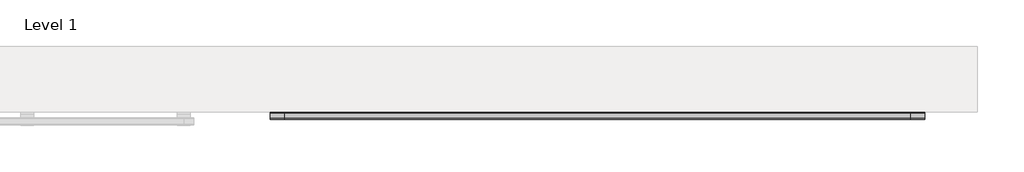
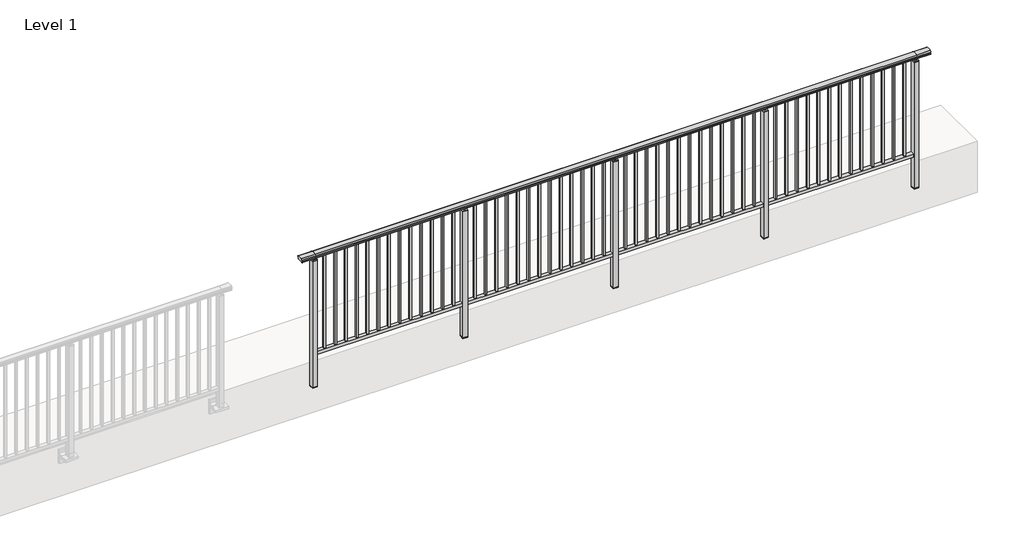
# One storey, part 23 of 64: 1 railing.
"""IFC4 building model written with IfcOpenShell, lengths in millimetres."""

from ifc_helpers import new_model, si_unit, frame, origin, place, context, project, spatial, polyline, circle_curve, outline, extrude, element, save
from ifc_brep_helpers import plane_surface, cylinder_surface, revolved_surface, advanced_brep

model = new_model("IFC4")

# Units and contexts
model_context = context("Model", 3, world=origin())
ifc_project = project(units=[si_unit("LENGTHUNIT", "METRE", prefix="MILLI")], contexts=[model_context])

# Site, building, storey
site = spatial("IfcSite", under=ifc_project)
building = spatial("IfcBuilding", under=site)
storey = spatial("IfcBuildingStorey", under=building, Name="Level 1", Elevation=0.0)

# Railing
placement = place(None, origin())
element("IfcRailing", 1, at=placement, inside=storey, context=model_context, shape_type="SolidModel", body=[
    advanced_brep(
    [(19372.5, 14892.8633756, 1095.6691182), (19372.5, 14897.6846828, 1081.1334092), (19372.5, 14896.7413744, 1069.2539035), (19372.5, 14898.6364177, 1061.4863007), (19372.5, 14896.9894799, 1060.384124), (19372.5, 14896.9894799, 1062.0), (19372.5, 14838.3798858, 1062.0), (19372.5, 14838.3798858, 1060.384124), (19372.5, 14836.732948, 1061.4863007), (19372.5, 14838.6279912, 1069.2539035), (19372.5, 14837.6846828, 1081.1334092), (19372.5, 14842.50599, 1095.6691182), (25227.5, 14892.8633756, 1095.6691182), (25227.5, 14842.50599, 1095.6691182), (25227.5, 14837.6846828, 1081.1334092), (25227.5, 14838.6279912, 1069.2539035), (25227.5, 14836.732948, 1061.4863007), (25227.5, 14838.3798858, 1060.384124), (25227.5, 14838.3798858, 1062.0), (25227.5, 14896.9894799, 1062.0), (25227.5, 14896.9894799, 1060.384124), (25227.5, 14898.6364177, 1061.4863007), (25227.5, 14896.7413744, 1069.2539035), (25227.5, 14897.6846828, 1081.1334092), (19500.0, 14892.8633756, 1095.6691182), (19500.0, 14897.6846828, 1081.1334092), (19500.0, 14896.7413744, 1069.2539035), (19500.0, 14898.6364177, 1061.4863007), (19500.0, 14896.9894799, 1060.384124), (19500.0, 14896.9894799, 1062.0), (19500.0, 14838.3798858, 1062.0), (19500.0, 14838.3798858, 1060.384124), (19500.0, 14836.732948, 1061.4863007), (19500.0, 14838.6279912, 1069.2539035), (19500.0, 14837.6846828, 1081.1334092), (19500.0, 14842.50599, 1095.6691182), (25100.0, 14892.8633756, 1095.6691182), (25100.0, 14897.6846828, 1081.1334092), (25100.0, 14896.7413744, 1069.2539035), (25100.0, 14898.6364177, 1061.4863007), (25100.0, 14896.9894799, 1060.384124), (25100.0, 14896.9894799, 1062.0), (25100.0, 14838.3798858, 1062.0), (25100.0, 14838.3798858, 1060.384124), (25100.0, 14836.732948, 1061.4863007), (25100.0, 14838.6279912, 1069.2539035), (25100.0, 14837.6846828, 1081.1334092), (25100.0, 14842.50599, 1095.6691182)],
    [
        (0, 1, circle_curve(frame((19372.5, 14889.6223845, 1086.526686), z_axis=(-1.0, 0.0, 0.0), x_axis=(0.0, -1.0, 0.0)), 9.6999015)),
        (1, 2, circle_curve(frame((19372.5, 14915.2252545, 1073.7633709), z_axis=(1.0, 0.0, 0.0), x_axis=(0.0, -1.0, 0.0)), 19.0260117)),
        (2, 3),
        (3, 4, circle_curve(frame((19372.5, 14897.7772073, 1060.9886194), z_axis=(-1.0, 0.0, 0.0), x_axis=(0.0, -1.0, 0.0)), 0.9929396)),
        (4, 5),
        (5, 6),
        (6, 7),
        (7, 8, circle_curve(frame((19372.5, 14837.5921584, 1060.9886194), z_axis=(-1.0, 0.0, 0.0), x_axis=(0.0, 1.0, 0.0)), 0.9929396)),
        (8, 9),
        (9, 10, circle_curve(frame((19372.5, 14820.1441111, 1073.7633709), z_axis=(1.0, 0.0, 0.0), x_axis=(0.0, 1.0, 0.0)), 19.0260117)),
        (10, 11, circle_curve(frame((19372.5, 14845.7469812, 1086.526686), z_axis=(-1.0, 0.0, 0.0), x_axis=(0.0, 1.0, 0.0)), 9.6999015)),
        (11, 0, circle_curve(frame((19372.5, 14867.6846828, 1024.6431628), z_axis=(-1.0, 0.0, 0.0), x_axis=(0.0, 1.0, 0.0)), 75.3568372)),
        (12, 13, circle_curve(frame((25227.5, 14867.6846828, 1024.6431628), z_axis=(1.0, 0.0, 0.0), x_axis=(0.0, 1.0, 0.0)), 75.3568372)),
        (13, 14, circle_curve(frame((25227.5, 14845.7469812, 1086.526686), z_axis=(1.0, 0.0, 0.0), x_axis=(0.0, 1.0, 0.0)), 9.6999015)),
        (14, 15, circle_curve(frame((25227.5, 14820.1441111, 1073.7633709), z_axis=(-1.0, 0.0, 0.0), x_axis=(0.0, 1.0, 0.0)), 19.0260117)),
        (15, 16),
        (16, 17, circle_curve(frame((25227.5, 14837.5921584, 1060.9886194), z_axis=(1.0, 0.0, 0.0), x_axis=(0.0, 1.0, 0.0)), 0.9929396)),
        (17, 18),
        (18, 19),
        (19, 20),
        (20, 21, circle_curve(frame((25227.5, 14897.7772073, 1060.9886194), z_axis=(1.0, 0.0, 0.0), x_axis=(0.0, -1.0, 0.0)), 0.9929396)),
        (21, 22),
        (22, 23, circle_curve(frame((25227.5, 14915.2252545, 1073.7633709), z_axis=(-1.0, 0.0, 0.0), x_axis=(0.0, -1.0, 0.0)), 19.0260117)),
        (23, 12, circle_curve(frame((25227.5, 14889.6223845, 1086.526686), z_axis=(1.0, 0.0, 0.0), x_axis=(0.0, -1.0, 0.0)), 9.6999015)),
        (0, 24),
        (24, 25, circle_curve(frame((19500.0, 14889.6223845, 1086.526686), z_axis=(-1.0, 0.0, 0.0), x_axis=(0.0, -1.0, 0.0)), 9.6999015)),
        (25, 1),
        (25, 26, circle_curve(frame((19500.0, 14915.2252545, 1073.7633709), z_axis=(1.0, 0.0, 0.0), x_axis=(0.0, -1.0, 0.0)), 19.0260117)),
        (26, 2),
        (26, 27),
        (27, 3),
        (27, 28, circle_curve(frame((19500.0, 14897.7772073, 1060.9886194), z_axis=(-1.0, 0.0, 0.0), x_axis=(0.0, -1.0, 0.0)), 0.9929396)),
        (28, 4),
        (28, 29),
        (29, 5),
        (29, 30),
        (30, 6),
        (30, 31),
        (31, 7),
        (31, 32, circle_curve(frame((19500.0, 14837.5921584, 1060.9886194), z_axis=(-1.0, 0.0, 0.0), x_axis=(0.0, 1.0, 0.0)), 0.9929396)),
        (32, 8),
        (32, 33),
        (33, 9),
        (33, 34, circle_curve(frame((19500.0, 14820.1441111, 1073.7633709), z_axis=(1.0, 0.0, 0.0), x_axis=(0.0, 1.0, 0.0)), 19.0260117)),
        (34, 10),
        (34, 35, circle_curve(frame((19500.0, 14845.7469812, 1086.526686), z_axis=(-1.0, 0.0, 0.0), x_axis=(0.0, 1.0, 0.0)), 9.6999015)),
        (35, 11),
        (35, 24, circle_curve(frame((19500.0, 14867.6846828, 1024.6431628), z_axis=(-1.0, 0.0, 0.0), x_axis=(0.0, 1.0, 0.0)), 75.3568372)),
        (24, 36),
        (36, 37, circle_curve(frame((25100.0, 14889.6223845, 1086.526686), z_axis=(-1.0, 0.0, 0.0), x_axis=(0.0, -1.0, 0.0)), 9.6999015)),
        (37, 25),
        (37, 38, circle_curve(frame((25100.0, 14915.2252545, 1073.7633709), z_axis=(1.0, 0.0, 0.0), x_axis=(0.0, -1.0, 0.0)), 19.0260117)),
        (38, 26),
        (38, 39),
        (39, 27),
        (39, 40, circle_curve(frame((25100.0, 14897.7772073, 1060.9886194), z_axis=(-1.0, 0.0, 0.0), x_axis=(0.0, -1.0, 0.0)), 0.9929396)),
        (40, 28),
        (40, 41),
        (41, 29),
        (41, 42),
        (42, 30),
        (42, 43),
        (43, 31),
        (43, 44, circle_curve(frame((25100.0, 14837.5921584, 1060.9886194), z_axis=(-1.0, 0.0, 0.0), x_axis=(0.0, 1.0, 0.0)), 0.9929396)),
        (44, 32),
        (44, 45),
        (45, 33),
        (45, 46, circle_curve(frame((25100.0, 14820.1441111, 1073.7633709), z_axis=(1.0, 0.0, 0.0), x_axis=(0.0, 1.0, 0.0)), 19.0260117)),
        (46, 34),
        (46, 47, circle_curve(frame((25100.0, 14845.7469812, 1086.526686), z_axis=(-1.0, 0.0, 0.0), x_axis=(0.0, 1.0, 0.0)), 9.6999015)),
        (47, 35),
        (47, 36, circle_curve(frame((25100.0, 14867.6846828, 1024.6431628), z_axis=(-1.0, 0.0, 0.0), x_axis=(0.0, 1.0, 0.0)), 75.3568372)),
        (36, 12),
        (23, 37),
        (22, 38),
        (21, 39),
        (20, 40),
        (19, 41),
        (18, 42),
        (17, 43),
        (16, 44),
        (15, 45),
        (14, 46),
        (13, 47),
    ],
    [
        plane_surface(frame((19372.5, 14867.6846828, 1100.0), z_axis=(-1.0, 0.0, 0.0), x_axis=(0.0, 1.0, 0.0))),
        plane_surface(frame((25227.5, 14867.6846828, 1100.0), z_axis=(1.0, 0.0, 0.0), x_axis=(0.0, 1.0, 0.0))),
        cylinder_surface(frame((19372.5, 14889.6223845, 1086.526686), z_axis=(-1.0, 0.0, 0.0), x_axis=(0.0, -1.0, 0.0)), 9.6999015),
        revolved_surface(polyline([(19500.0, 14896.1992428, 1073.7633709), (19372.5, 14896.1992428, 1073.7633709)]), (19372.5, 14915.2252545, 1073.7633709), (1.0, 0.0, 0.0)),
        plane_surface(frame((19372.5, 14896.7413744, 1069.2539035), z_axis=(0.0, 0.9715057689301543, 0.2370159086125439), x_axis=(1.0, 0.0, 0.0))),
        cylinder_surface(frame((19372.5, 14897.7772073, 1060.9886194), z_axis=(-1.0, 0.0, 0.0), x_axis=(0.0, -1.0, 0.0)), 0.9929396),
        plane_surface(frame((19372.5, 14896.9894799, 1060.384124), z_axis=(0.0, -1.0, 0.0), x_axis=(1.0, 0.0, 0.0))),
        plane_surface(frame((19372.5, 14896.9894799, 1062.0), z_axis=(0.0, 0.0, -1.0), x_axis=(1.0, 0.0, 0.0))),
        plane_surface(frame((19372.5, 14838.3798858, 1062.0), z_axis=(0.0, 1.0, 0.0), x_axis=(1.0, 0.0, 0.0))),
        cylinder_surface(frame((19372.5, 14837.5921584, 1060.9886194), z_axis=(-1.0, 0.0, 0.0), x_axis=(0.0, 1.0, 0.0)), 0.9929396),
        plane_surface(frame((19372.5, 14836.732948, 1061.4863007), z_axis=(0.0, -0.9715057689301543, 0.2370159086125439), x_axis=(1.0, 0.0, 0.0))),
        revolved_surface(polyline([(19500.0, 14839.1701228, 1073.7633709), (19372.5, 14839.1701228, 1073.7633709)]), (19372.5, 14820.1441111, 1073.7633709), (1.0, 0.0, 0.0)),
        cylinder_surface(frame((19372.5, 14845.7469812, 1086.526686), z_axis=(-1.0, 0.0, 0.0), x_axis=(0.0, 1.0, 0.0)), 9.6999015),
        cylinder_surface(frame((19372.5, 14867.6846828, 1024.6431628), z_axis=(-1.0, 0.0, 0.0), x_axis=(0.0, 1.0, 0.0)), 75.3568372),
        cylinder_surface(frame((19500.0, 14889.6223845, 1086.526686), z_axis=(-1.0, 0.0, 0.0), x_axis=(0.0, -1.0, 0.0)), 9.6999015),
        revolved_surface(polyline([(25100.0, 14896.1992428, 1073.7633709), (19500.0, 14896.1992428, 1073.7633709)]), (19500.0, 14915.2252545, 1073.7633709), (1.0, 0.0, 0.0)),
        plane_surface(frame((19500.0, 14896.7413744, 1069.2539035), z_axis=(0.0, 0.9715057689301543, 0.2370159086125439), x_axis=(1.0, 0.0, 0.0))),
        cylinder_surface(frame((19500.0, 14897.7772073, 1060.9886194), z_axis=(-1.0, 0.0, 0.0), x_axis=(0.0, -1.0, 0.0)), 0.9929396),
        plane_surface(frame((19500.0, 14896.9894799, 1060.384124), z_axis=(0.0, -1.0, 0.0), x_axis=(1.0, 0.0, 0.0))),
        plane_surface(frame((19500.0, 14896.9894799, 1062.0), z_axis=(0.0, 0.0, -1.0), x_axis=(1.0, 0.0, 0.0))),
        plane_surface(frame((19500.0, 14838.3798858, 1062.0), z_axis=(0.0, 1.0, 0.0), x_axis=(1.0, 0.0, 0.0))),
        cylinder_surface(frame((19500.0, 14837.5921584, 1060.9886194), z_axis=(-1.0, 0.0, 0.0), x_axis=(0.0, 1.0, 0.0)), 0.9929396),
        plane_surface(frame((19500.0, 14836.732948, 1061.4863007), z_axis=(0.0, -0.9715057689301543, 0.2370159086125439), x_axis=(1.0, 0.0, 0.0))),
        revolved_surface(polyline([(25100.0, 14839.1701228, 1073.7633709), (19500.0, 14839.1701228, 1073.7633709)]), (19500.0, 14820.1441111, 1073.7633709), (1.0, 0.0, 0.0)),
        cylinder_surface(frame((19500.0, 14845.7469812, 1086.526686), z_axis=(-1.0, 0.0, 0.0), x_axis=(0.0, 1.0, 0.0)), 9.6999015),
        cylinder_surface(frame((19500.0, 14867.6846828, 1024.6431628), z_axis=(-1.0, 0.0, 0.0), x_axis=(0.0, 1.0, 0.0)), 75.3568372),
        cylinder_surface(frame((25100.0, 14889.6223845, 1086.526686), z_axis=(-1.0, 0.0, 0.0), x_axis=(0.0, -1.0, 0.0)), 9.6999015),
        revolved_surface(polyline([(25227.5, 14896.1992428, 1073.7633709), (25100.0, 14896.1992428, 1073.7633709)]), (25100.0, 14915.2252545, 1073.7633709), (1.0, 0.0, 0.0)),
        plane_surface(frame((25100.0, 14896.7413744, 1069.2539035), z_axis=(0.0, 0.9715057689301543, 0.2370159086125439), x_axis=(1.0, 0.0, 0.0))),
        cylinder_surface(frame((25100.0, 14897.7772073, 1060.9886194), z_axis=(-1.0, 0.0, 0.0), x_axis=(0.0, -1.0, 0.0)), 0.9929396),
        plane_surface(frame((25100.0, 14896.9894799, 1060.384124), z_axis=(0.0, -1.0, 0.0), x_axis=(1.0, 0.0, 0.0))),
        plane_surface(frame((25100.0, 14896.9894799, 1062.0), z_axis=(0.0, 0.0, -1.0), x_axis=(1.0, 0.0, 0.0))),
        plane_surface(frame((25100.0, 14838.3798858, 1062.0), z_axis=(0.0, 1.0, 0.0), x_axis=(1.0, 0.0, 0.0))),
        cylinder_surface(frame((25100.0, 14837.5921584, 1060.9886194), z_axis=(-1.0, 0.0, 0.0), x_axis=(0.0, 1.0, 0.0)), 0.9929396),
        plane_surface(frame((25100.0, 14836.732948, 1061.4863007), z_axis=(0.0, -0.9715057689301543, 0.2370159086125439), x_axis=(1.0, 0.0, 0.0))),
        revolved_surface(polyline([(25227.5, 14839.1701228, 1073.7633709), (25100.0, 14839.1701228, 1073.7633709)]), (25100.0, 14820.1441111, 1073.7633709), (1.0, 0.0, 0.0)),
        cylinder_surface(frame((25100.0, 14845.7469812, 1086.526686), z_axis=(-1.0, 0.0, 0.0), x_axis=(0.0, 1.0, 0.0)), 9.6999015),
        cylinder_surface(frame((25100.0, 14867.6846828, 1024.6431628), z_axis=(-1.0, 0.0, 0.0), x_axis=(0.0, 1.0, 0.0)), 75.3568372),
    ],
    [
        (0, [[1, 2, 3, 4, 5, 6, 7, 8, 9, 10, 11, 12]]),
        (1, [[13, 14, 15, 16, 17, 18, 19, 20, 21, 22, 23, 24]]),
        (2, [[-1, 25, 26, 27]]),
        (3, [[-2, -27, 28, 29]]),
        (4, [[-3, -29, 30, 31]]),
        (5, [[-4, -31, 32, 33]]),
        (6, [[-5, -33, 34, 35]]),
        (7, [[-6, -35, 36, 37]]),
        (8, [[-7, -37, 38, 39]]),
        (9, [[-8, -39, 40, 41]]),
        (10, [[-9, -41, 42, 43]]),
        (11, [[-10, -43, 44, 45]]),
        (12, [[-11, -45, 46, 47]]),
        (13, [[-12, -47, 48, -25]]),
        (14, [[-26, 49, 50, 51]]),
        (15, [[-28, -51, 52, 53]]),
        (16, [[-30, -53, 54, 55]]),
        (17, [[-32, -55, 56, 57]]),
        (18, [[-34, -57, 58, 59]]),
        (19, [[-36, -59, 60, 61]]),
        (20, [[-38, -61, 62, 63]]),
        (21, [[-40, -63, 64, 65]]),
        (22, [[-42, -65, 66, 67]]),
        (23, [[-44, -67, 68, 69]]),
        (24, [[-46, -69, 70, 71]]),
        (25, [[-48, -71, 72, -49]]),
        (26, [[-50, 73, -24, 74]]),
        (27, [[-52, -74, -23, 75]]),
        (28, [[-54, -75, -22, 76]]),
        (29, [[-56, -76, -21, 77]]),
        (30, [[-58, -77, -20, 78]]),
        (31, [[-60, -78, -19, 79]]),
        (32, [[-62, -79, -18, 80]]),
        (33, [[-64, -80, -17, 81]]),
        (34, [[-66, -81, -16, 82]]),
        (35, [[-68, -82, -15, 83]]),
        (36, [[-70, -83, -14, 84]]),
        (37, [[-72, -84, -13, -73]]),
    ],
),
    extrude(outline(polyline([(19500.0, 14850.1846828), (19500.0, 14885.1846828), (25100.0, 14885.1846828), (25100.0, 14850.1846828), (19500.0, 14850.1846828)])), frame((0.0, 0.0, 95.0), z_axis=(0.0, 0.0, 1.0), x_axis=(1.0, 0.0, 0.0)), (0.0, 0.0, 1.0), 30.0),
    extrude(outline(polyline([(25008.5, 14859.1846828), (24991.5, 14859.1846828), (24991.5, 14876.1846828), (25008.5, 14876.1846828), (25008.5, 14859.1846828)])), frame((0.0, 0.0, 125.0), z_axis=(0.0, 0.0, 1.0), x_axis=(1.0, 0.0, 0.0)), (0.0, 0.0, 1.0), 930.0),
    extrude(outline(polyline([(24908.5, 14859.1846828), (24891.5, 14859.1846828), (24891.5, 14876.1846828), (24908.5, 14876.1846828), (24908.5, 14859.1846828)])), frame((0.0, 0.0, 125.0), z_axis=(0.0, 0.0, 1.0), x_axis=(1.0, 0.0, 0.0)), (0.0, 0.0, 1.0), 930.0),
    extrude(outline(polyline([(24808.5, 14859.1846828), (24791.5, 14859.1846828), (24791.5, 14876.1846828), (24808.5, 14876.1846828), (24808.5, 14859.1846828)])), frame((0.0, 0.0, 125.0), z_axis=(0.0, 0.0, 1.0), x_axis=(1.0, 0.0, 0.0)), (0.0, 0.0, 1.0), 930.0),
    extrude(outline(polyline([(24708.5, 14859.1846828), (24691.5, 14859.1846828), (24691.5, 14876.1846828), (24708.5, 14876.1846828), (24708.5, 14859.1846828)])), frame((0.0, 0.0, 125.0), z_axis=(0.0, 0.0, 1.0), x_axis=(1.0, 0.0, 0.0)), (0.0, 0.0, 1.0), 930.0),
    extrude(outline(polyline([(24608.5, 14859.1846828), (24591.5, 14859.1846828), (24591.5, 14876.1846828), (24608.5, 14876.1846828), (24608.5, 14859.1846828)])), frame((0.0, 0.0, 125.0), z_axis=(0.0, 0.0, 1.0), x_axis=(1.0, 0.0, 0.0)), (0.0, 0.0, 1.0), 930.0),
    extrude(outline(polyline([(24508.5, 14859.1846828), (24491.5, 14859.1846828), (24491.5, 14876.1846828), (24508.5, 14876.1846828), (24508.5, 14859.1846828)])), frame((0.0, 0.0, 125.0), z_axis=(0.0, 0.0, 1.0), x_axis=(1.0, 0.0, 0.0)), (0.0, 0.0, 1.0), 930.0),
    extrude(outline(polyline([(24408.5, 14859.1846828), (24391.5, 14859.1846828), (24391.5, 14876.1846828), (24408.5, 14876.1846828), (24408.5, 14859.1846828)])), frame((0.0, 0.0, 125.0), z_axis=(0.0, 0.0, 1.0), x_axis=(1.0, 0.0, 0.0)), (0.0, 0.0, 1.0), 930.0),
    extrude(outline(polyline([(24308.5, 14859.1846828), (24291.5, 14859.1846828), (24291.5, 14876.1846828), (24308.5, 14876.1846828), (24308.5, 14859.1846828)])), frame((0.0, 0.0, 125.0), z_axis=(0.0, 0.0, 1.0), x_axis=(1.0, 0.0, 0.0)), (0.0, 0.0, 1.0), 930.0),
    extrude(outline(polyline([(24208.5, 14859.1846828), (24191.5, 14859.1846828), (24191.5, 14876.1846828), (24208.5, 14876.1846828), (24208.5, 14859.1846828)])), frame((0.0, 0.0, 125.0), z_axis=(0.0, 0.0, 1.0), x_axis=(1.0, 0.0, 0.0)), (0.0, 0.0, 1.0), 930.0),
    extrude(outline(polyline([(24108.5, 14859.1846828), (24091.5, 14859.1846828), (24091.5, 14876.1846828), (24108.5, 14876.1846828), (24108.5, 14859.1846828)])), frame((0.0, 0.0, 125.0), z_axis=(0.0, 0.0, 1.0), x_axis=(1.0, 0.0, 0.0)), (0.0, 0.0, 1.0), 930.0),
    extrude(outline(polyline([(24008.5, 14859.1846828), (23991.5, 14859.1846828), (23991.5, 14876.1846828), (24008.5, 14876.1846828), (24008.5, 14859.1846828)])), frame((0.0, 0.0, 125.0), z_axis=(0.0, 0.0, 1.0), x_axis=(1.0, 0.0, 0.0)), (0.0, 0.0, 1.0), 930.0),
    extrude(outline(polyline([(23908.5, 14859.1846828), (23891.5, 14859.1846828), (23891.5, 14876.1846828), (23908.5, 14876.1846828), (23908.5, 14859.1846828)])), frame((0.0, 0.0, 125.0), z_axis=(0.0, 0.0, 1.0), x_axis=(1.0, 0.0, 0.0)), (0.0, 0.0, 1.0), 930.0),
    extrude(outline(polyline([(23808.5, 14859.1846828), (23791.5, 14859.1846828), (23791.5, 14876.1846828), (23808.5, 14876.1846828), (23808.5, 14859.1846828)])), frame((0.0, 0.0, 125.0), z_axis=(0.0, 0.0, 1.0), x_axis=(1.0, 0.0, 0.0)), (0.0, 0.0, 1.0), 930.0),
    extrude(outline(polyline([(23722.5, 14890.1846828), (23722.5, 14845.1846828), (23677.5, 14845.1846828), (23677.5, 14890.1846828), (23722.5, 14890.1846828)])), frame((0.0, 0.0, 1027.0), z_axis=(0.0, 0.0, 1.0), x_axis=(1.0, 0.0, 0.0)), (0.0, 0.0, 1.0), 8.0),
    extrude(outline(polyline([(23722.5, 14890.1846828), (23722.5, 14845.1846828), (23677.5, 14845.1846828), (23677.5, 14890.1846828), (23722.5, 14890.1846828)])), frame((0.0, 0.0, -212.0), z_axis=(0.0, 0.0, 1.0), x_axis=(1.0, 0.0, 0.0)), (0.0, 0.0, 1.0), 1239.0),
    extrude(outline(polyline([(23710.0, 14877.6846828), (23710.0, 14857.6846828), (23690.0, 14857.6846828), (23690.0, 14877.6846828), (23710.0, 14877.6846828)])), frame((0.0, 0.0, 1035.0), z_axis=(0.0, 0.0, 1.0), x_axis=(1.0, 0.0, 0.0)), (0.0, 0.0, 1.0), 20.0),
    extrude(outline(polyline([(23722.5, 14890.1846828), (23722.5, 14845.1846828), (23677.5, 14845.1846828), (23677.5, 14890.1846828), (23722.5, 14890.1846828)])), frame((0.0, 0.0, -220.0), z_axis=(0.0, 0.0, 1.0), x_axis=(1.0, 0.0, 0.0)), (0.0, 0.0, 1.0), 8.0),
    extrude(outline(polyline([(23608.5, 14859.1846828), (23591.5, 14859.1846828), (23591.5, 14876.1846828), (23608.5, 14876.1846828), (23608.5, 14859.1846828)])), frame((0.0, 0.0, 125.0), z_axis=(0.0, 0.0, 1.0), x_axis=(1.0, 0.0, 0.0)), (0.0, 0.0, 1.0), 930.0),
    extrude(outline(polyline([(23508.5, 14859.1846828), (23491.5, 14859.1846828), (23491.5, 14876.1846828), (23508.5, 14876.1846828), (23508.5, 14859.1846828)])), frame((0.0, 0.0, 125.0), z_axis=(0.0, 0.0, 1.0), x_axis=(1.0, 0.0, 0.0)), (0.0, 0.0, 1.0), 930.0),
    extrude(outline(polyline([(23408.5, 14859.1846828), (23391.5, 14859.1846828), (23391.5, 14876.1846828), (23408.5, 14876.1846828), (23408.5, 14859.1846828)])), frame((0.0, 0.0, 125.0), z_axis=(0.0, 0.0, 1.0), x_axis=(1.0, 0.0, 0.0)), (0.0, 0.0, 1.0), 930.0),
    extrude(outline(polyline([(23308.5, 14859.1846828), (23291.5, 14859.1846828), (23291.5, 14876.1846828), (23308.5, 14876.1846828), (23308.5, 14859.1846828)])), frame((0.0, 0.0, 125.0), z_axis=(0.0, 0.0, 1.0), x_axis=(1.0, 0.0, 0.0)), (0.0, 0.0, 1.0), 930.0),
    extrude(outline(polyline([(23208.5, 14859.1846828), (23191.5, 14859.1846828), (23191.5, 14876.1846828), (23208.5, 14876.1846828), (23208.5, 14859.1846828)])), frame((0.0, 0.0, 125.0), z_axis=(0.0, 0.0, 1.0), x_axis=(1.0, 0.0, 0.0)), (0.0, 0.0, 1.0), 930.0),
    extrude(outline(polyline([(23108.5, 14859.1846828), (23091.5, 14859.1846828), (23091.5, 14876.1846828), (23108.5, 14876.1846828), (23108.5, 14859.1846828)])), frame((0.0, 0.0, 125.0), z_axis=(0.0, 0.0, 1.0), x_axis=(1.0, 0.0, 0.0)), (0.0, 0.0, 1.0), 930.0),
    extrude(outline(polyline([(23008.5, 14859.1846828), (22991.5, 14859.1846828), (22991.5, 14876.1846828), (23008.5, 14876.1846828), (23008.5, 14859.1846828)])), frame((0.0, 0.0, 125.0), z_axis=(0.0, 0.0, 1.0), x_axis=(1.0, 0.0, 0.0)), (0.0, 0.0, 1.0), 930.0),
    extrude(outline(polyline([(22908.5, 14859.1846828), (22891.5, 14859.1846828), (22891.5, 14876.1846828), (22908.5, 14876.1846828), (22908.5, 14859.1846828)])), frame((0.0, 0.0, 125.0), z_axis=(0.0, 0.0, 1.0), x_axis=(1.0, 0.0, 0.0)), (0.0, 0.0, 1.0), 930.0),
    extrude(outline(polyline([(22808.5, 14859.1846828), (22791.5, 14859.1846828), (22791.5, 14876.1846828), (22808.5, 14876.1846828), (22808.5, 14859.1846828)])), frame((0.0, 0.0, 125.0), z_axis=(0.0, 0.0, 1.0), x_axis=(1.0, 0.0, 0.0)), (0.0, 0.0, 1.0), 930.0),
    extrude(outline(polyline([(22708.5, 14859.1846828), (22691.5, 14859.1846828), (22691.5, 14876.1846828), (22708.5, 14876.1846828), (22708.5, 14859.1846828)])), frame((0.0, 0.0, 125.0), z_axis=(0.0, 0.0, 1.0), x_axis=(1.0, 0.0, 0.0)), (0.0, 0.0, 1.0), 930.0),
    extrude(outline(polyline([(22608.5, 14859.1846828), (22591.5, 14859.1846828), (22591.5, 14876.1846828), (22608.5, 14876.1846828), (22608.5, 14859.1846828)])), frame((0.0, 0.0, 125.0), z_axis=(0.0, 0.0, 1.0), x_axis=(1.0, 0.0, 0.0)), (0.0, 0.0, 1.0), 930.0),
    extrude(outline(polyline([(22508.5, 14859.1846828), (22491.5, 14859.1846828), (22491.5, 14876.1846828), (22508.5, 14876.1846828), (22508.5, 14859.1846828)])), frame((0.0, 0.0, 125.0), z_axis=(0.0, 0.0, 1.0), x_axis=(1.0, 0.0, 0.0)), (0.0, 0.0, 1.0), 930.0),
    extrude(outline(polyline([(22408.5, 14859.1846828), (22391.5, 14859.1846828), (22391.5, 14876.1846828), (22408.5, 14876.1846828), (22408.5, 14859.1846828)])), frame((0.0, 0.0, 125.0), z_axis=(0.0, 0.0, 1.0), x_axis=(1.0, 0.0, 0.0)), (0.0, 0.0, 1.0), 930.0),
    extrude(outline(polyline([(22322.5, 14890.1846828), (22322.5, 14845.1846828), (22277.5, 14845.1846828), (22277.5, 14890.1846828), (22322.5, 14890.1846828)])), frame((0.0, 0.0, 1027.0), z_axis=(0.0, 0.0, 1.0), x_axis=(1.0, 0.0, 0.0)), (0.0, 0.0, 1.0), 8.0),
    extrude(outline(polyline([(22322.5, 14890.1846828), (22322.5, 14845.1846828), (22277.5, 14845.1846828), (22277.5, 14890.1846828), (22322.5, 14890.1846828)])), frame((0.0, 0.0, -212.0), z_axis=(0.0, 0.0, 1.0), x_axis=(1.0, 0.0, 0.0)), (0.0, 0.0, 1.0), 1239.0),
    extrude(outline(polyline([(22310.0, 14877.6846828), (22310.0, 14857.6846828), (22290.0, 14857.6846828), (22290.0, 14877.6846828), (22310.0, 14877.6846828)])), frame((0.0, 0.0, 1035.0), z_axis=(0.0, 0.0, 1.0), x_axis=(1.0, 0.0, 0.0)), (0.0, 0.0, 1.0), 20.0),
    extrude(outline(polyline([(22322.5, 14890.1846828), (22322.5, 14845.1846828), (22277.5, 14845.1846828), (22277.5, 14890.1846828), (22322.5, 14890.1846828)])), frame((0.0, 0.0, -220.0), z_axis=(0.0, 0.0, 1.0), x_axis=(1.0, 0.0, 0.0)), (0.0, 0.0, 1.0), 8.0),
    extrude(outline(polyline([(22208.5, 14859.1846828), (22191.5, 14859.1846828), (22191.5, 14876.1846828), (22208.5, 14876.1846828), (22208.5, 14859.1846828)])), frame((0.0, 0.0, 125.0), z_axis=(0.0, 0.0, 1.0), x_axis=(1.0, 0.0, 0.0)), (0.0, 0.0, 1.0), 930.0),
    extrude(outline(polyline([(22108.5, 14859.1846828), (22091.5, 14859.1846828), (22091.5, 14876.1846828), (22108.5, 14876.1846828), (22108.5, 14859.1846828)])), frame((0.0, 0.0, 125.0), z_axis=(0.0, 0.0, 1.0), x_axis=(1.0, 0.0, 0.0)), (0.0, 0.0, 1.0), 930.0),
    extrude(outline(polyline([(22008.5, 14859.1846828), (21991.5, 14859.1846828), (21991.5, 14876.1846828), (22008.5, 14876.1846828), (22008.5, 14859.1846828)])), frame((0.0, 0.0, 125.0), z_axis=(0.0, 0.0, 1.0), x_axis=(1.0, 0.0, 0.0)), (0.0, 0.0, 1.0), 930.0),
    extrude(outline(polyline([(21908.5, 14859.1846828), (21891.5, 14859.1846828), (21891.5, 14876.1846828), (21908.5, 14876.1846828), (21908.5, 14859.1846828)])), frame((0.0, 0.0, 125.0), z_axis=(0.0, 0.0, 1.0), x_axis=(1.0, 0.0, 0.0)), (0.0, 0.0, 1.0), 930.0),
    extrude(outline(polyline([(21808.5, 14859.1846828), (21791.5, 14859.1846828), (21791.5, 14876.1846828), (21808.5, 14876.1846828), (21808.5, 14859.1846828)])), frame((0.0, 0.0, 125.0), z_axis=(0.0, 0.0, 1.0), x_axis=(1.0, 0.0, 0.0)), (0.0, 0.0, 1.0), 930.0),
    extrude(outline(polyline([(21708.5, 14859.1846828), (21691.5, 14859.1846828), (21691.5, 14876.1846828), (21708.5, 14876.1846828), (21708.5, 14859.1846828)])), frame((0.0, 0.0, 125.0), z_axis=(0.0, 0.0, 1.0), x_axis=(1.0, 0.0, 0.0)), (0.0, 0.0, 1.0), 930.0),
    extrude(outline(polyline([(21608.5, 14859.1846828), (21591.5, 14859.1846828), (21591.5, 14876.1846828), (21608.5, 14876.1846828), (21608.5, 14859.1846828)])), frame((0.0, 0.0, 125.0), z_axis=(0.0, 0.0, 1.0), x_axis=(1.0, 0.0, 0.0)), (0.0, 0.0, 1.0), 930.0),
    extrude(outline(polyline([(21508.5, 14859.1846828), (21491.5, 14859.1846828), (21491.5, 14876.1846828), (21508.5, 14876.1846828), (21508.5, 14859.1846828)])), frame((0.0, 0.0, 125.0), z_axis=(0.0, 0.0, 1.0), x_axis=(1.0, 0.0, 0.0)), (0.0, 0.0, 1.0), 930.0),
    extrude(outline(polyline([(21408.5, 14859.1846828), (21391.5, 14859.1846828), (21391.5, 14876.1846828), (21408.5, 14876.1846828), (21408.5, 14859.1846828)])), frame((0.0, 0.0, 125.0), z_axis=(0.0, 0.0, 1.0), x_axis=(1.0, 0.0, 0.0)), (0.0, 0.0, 1.0), 930.0),
    extrude(outline(polyline([(21308.5, 14859.1846828), (21291.5, 14859.1846828), (21291.5, 14876.1846828), (21308.5, 14876.1846828), (21308.5, 14859.1846828)])), frame((0.0, 0.0, 125.0), z_axis=(0.0, 0.0, 1.0), x_axis=(1.0, 0.0, 0.0)), (0.0, 0.0, 1.0), 930.0),
    extrude(outline(polyline([(21208.5, 14859.1846828), (21191.5, 14859.1846828), (21191.5, 14876.1846828), (21208.5, 14876.1846828), (21208.5, 14859.1846828)])), frame((0.0, 0.0, 125.0), z_axis=(0.0, 0.0, 1.0), x_axis=(1.0, 0.0, 0.0)), (0.0, 0.0, 1.0), 930.0),
    extrude(outline(polyline([(21108.5, 14859.1846828), (21091.5, 14859.1846828), (21091.5, 14876.1846828), (21108.5, 14876.1846828), (21108.5, 14859.1846828)])), frame((0.0, 0.0, 125.0), z_axis=(0.0, 0.0, 1.0), x_axis=(1.0, 0.0, 0.0)), (0.0, 0.0, 1.0), 930.0),
    extrude(outline(polyline([(21008.5, 14859.1846828), (20991.5, 14859.1846828), (20991.5, 14876.1846828), (21008.5, 14876.1846828), (21008.5, 14859.1846828)])), frame((0.0, 0.0, 125.0), z_axis=(0.0, 0.0, 1.0), x_axis=(1.0, 0.0, 0.0)), (0.0, 0.0, 1.0), 930.0),
    extrude(outline(polyline([(20922.5, 14890.1846828), (20922.5, 14845.1846828), (20877.5, 14845.1846828), (20877.5, 14890.1846828), (20922.5, 14890.1846828)])), frame((0.0, 0.0, 1027.0), z_axis=(0.0, 0.0, 1.0), x_axis=(1.0, 0.0, 0.0)), (0.0, 0.0, 1.0), 8.0),
    extrude(outline(polyline([(20922.5, 14890.1846828), (20922.5, 14845.1846828), (20877.5, 14845.1846828), (20877.5, 14890.1846828), (20922.5, 14890.1846828)])), frame((0.0, 0.0, -212.0), z_axis=(0.0, 0.0, 1.0), x_axis=(1.0, 0.0, 0.0)), (0.0, 0.0, 1.0), 1239.0),
    extrude(outline(polyline([(20910.0, 14877.6846828), (20910.0, 14857.6846828), (20890.0, 14857.6846828), (20890.0, 14877.6846828), (20910.0, 14877.6846828)])), frame((0.0, 0.0, 1035.0), z_axis=(0.0, 0.0, 1.0), x_axis=(1.0, 0.0, 0.0)), (0.0, 0.0, 1.0), 20.0),
    extrude(outline(polyline([(20922.5, 14890.1846828), (20922.5, 14845.1846828), (20877.5, 14845.1846828), (20877.5, 14890.1846828), (20922.5, 14890.1846828)])), frame((0.0, 0.0, -220.0), z_axis=(0.0, 0.0, 1.0), x_axis=(1.0, 0.0, 0.0)), (0.0, 0.0, 1.0), 8.0),
    extrude(outline(polyline([(20808.5, 14859.1846828), (20791.5, 14859.1846828), (20791.5, 14876.1846828), (20808.5, 14876.1846828), (20808.5, 14859.1846828)])), frame((0.0, 0.0, 125.0), z_axis=(0.0, 0.0, 1.0), x_axis=(1.0, 0.0, 0.0)), (0.0, 0.0, 1.0), 930.0),
    extrude(outline(polyline([(20708.5, 14859.1846828), (20691.5, 14859.1846828), (20691.5, 14876.1846828), (20708.5, 14876.1846828), (20708.5, 14859.1846828)])), frame((0.0, 0.0, 125.0), z_axis=(0.0, 0.0, 1.0), x_axis=(1.0, 0.0, 0.0)), (0.0, 0.0, 1.0), 930.0),
    extrude(outline(polyline([(20608.5, 14859.1846828), (20591.5, 14859.1846828), (20591.5, 14876.1846828), (20608.5, 14876.1846828), (20608.5, 14859.1846828)])), frame((0.0, 0.0, 125.0), z_axis=(0.0, 0.0, 1.0), x_axis=(1.0, 0.0, 0.0)), (0.0, 0.0, 1.0), 930.0),
    extrude(outline(polyline([(20508.5, 14859.1846828), (20491.5, 14859.1846828), (20491.5, 14876.1846828), (20508.5, 14876.1846828), (20508.5, 14859.1846828)])), frame((0.0, 0.0, 125.0), z_axis=(0.0, 0.0, 1.0), x_axis=(1.0, 0.0, 0.0)), (0.0, 0.0, 1.0), 930.0),
    extrude(outline(polyline([(20408.5, 14859.1846828), (20391.5, 14859.1846828), (20391.5, 14876.1846828), (20408.5, 14876.1846828), (20408.5, 14859.1846828)])), frame((0.0, 0.0, 125.0), z_axis=(0.0, 0.0, 1.0), x_axis=(1.0, 0.0, 0.0)), (0.0, 0.0, 1.0), 930.0),
    extrude(outline(polyline([(20308.5, 14859.1846828), (20291.5, 14859.1846828), (20291.5, 14876.1846828), (20308.5, 14876.1846828), (20308.5, 14859.1846828)])), frame((0.0, 0.0, 125.0), z_axis=(0.0, 0.0, 1.0), x_axis=(1.0, 0.0, 0.0)), (0.0, 0.0, 1.0), 930.0),
    extrude(outline(polyline([(20208.5, 14859.1846828), (20191.5, 14859.1846828), (20191.5, 14876.1846828), (20208.5, 14876.1846828), (20208.5, 14859.1846828)])), frame((0.0, 0.0, 125.0), z_axis=(0.0, 0.0, 1.0), x_axis=(1.0, 0.0, 0.0)), (0.0, 0.0, 1.0), 930.0),
    extrude(outline(polyline([(20108.5, 14859.1846828), (20091.5, 14859.1846828), (20091.5, 14876.1846828), (20108.5, 14876.1846828), (20108.5, 14859.1846828)])), frame((0.0, 0.0, 125.0), z_axis=(0.0, 0.0, 1.0), x_axis=(1.0, 0.0, 0.0)), (0.0, 0.0, 1.0), 930.0),
    extrude(outline(polyline([(20008.5, 14859.1846828), (19991.5, 14859.1846828), (19991.5, 14876.1846828), (20008.5, 14876.1846828), (20008.5, 14859.1846828)])), frame((0.0, 0.0, 125.0), z_axis=(0.0, 0.0, 1.0), x_axis=(1.0, 0.0, 0.0)), (0.0, 0.0, 1.0), 930.0),
    extrude(outline(polyline([(19908.5, 14859.1846828), (19891.5, 14859.1846828), (19891.5, 14876.1846828), (19908.5, 14876.1846828), (19908.5, 14859.1846828)])), frame((0.0, 0.0, 125.0), z_axis=(0.0, 0.0, 1.0), x_axis=(1.0, 0.0, 0.0)), (0.0, 0.0, 1.0), 930.0),
    extrude(outline(polyline([(19808.5, 14859.1846828), (19791.5, 14859.1846828), (19791.5, 14876.1846828), (19808.5, 14876.1846828), (19808.5, 14859.1846828)])), frame((0.0, 0.0, 125.0), z_axis=(0.0, 0.0, 1.0), x_axis=(1.0, 0.0, 0.0)), (0.0, 0.0, 1.0), 930.0),
    extrude(outline(polyline([(19708.5, 14859.1846828), (19691.5, 14859.1846828), (19691.5, 14876.1846828), (19708.5, 14876.1846828), (19708.5, 14859.1846828)])), frame((0.0, 0.0, 125.0), z_axis=(0.0, 0.0, 1.0), x_axis=(1.0, 0.0, 0.0)), (0.0, 0.0, 1.0), 930.0),
    extrude(outline(polyline([(19608.5, 14859.1846828), (19591.5, 14859.1846828), (19591.5, 14876.1846828), (19608.5, 14876.1846828), (19608.5, 14859.1846828)])), frame((0.0, 0.0, 125.0), z_axis=(0.0, 0.0, 1.0), x_axis=(1.0, 0.0, 0.0)), (0.0, 0.0, 1.0), 930.0),
    extrude(outline(polyline([(25122.5, 14890.1846828), (25122.5, 14845.1846828), (25077.5, 14845.1846828), (25077.5, 14890.1846828), (25122.5, 14890.1846828)])), frame((0.0, 0.0, 1027.0), z_axis=(0.0, 0.0, 1.0), x_axis=(1.0, 0.0, 0.0)), (0.0, 0.0, 1.0), 8.0),
    extrude(outline(polyline([(25122.5, 14890.1846828), (25122.5, 14845.1846828), (25077.5, 14845.1846828), (25077.5, 14890.1846828), (25122.5, 14890.1846828)])), frame((0.0, 0.0, -212.0), z_axis=(0.0, 0.0, 1.0), x_axis=(1.0, 0.0, 0.0)), (0.0, 0.0, 1.0), 1239.0),
    extrude(outline(polyline([(25110.0, 14877.6846828), (25110.0, 14857.6846828), (25090.0, 14857.6846828), (25090.0, 14877.6846828), (25110.0, 14877.6846828)])), frame((0.0, 0.0, 1035.0), z_axis=(0.0, 0.0, 1.0), x_axis=(1.0, 0.0, 0.0)), (0.0, 0.0, 1.0), 20.0),
    extrude(outline(polyline([(25122.5, 14890.1846828), (25122.5, 14845.1846828), (25077.5, 14845.1846828), (25077.5, 14890.1846828), (25122.5, 14890.1846828)])), frame((0.0, 0.0, -220.0), z_axis=(0.0, 0.0, 1.0), x_axis=(1.0, 0.0, 0.0)), (0.0, 0.0, 1.0), 8.0),
    extrude(outline(polyline([(19522.5, 14890.1846828), (19522.5, 14845.1846828), (19477.5, 14845.1846828), (19477.5, 14890.1846828), (19522.5, 14890.1846828)])), frame((0.0, 0.0, 1027.0), z_axis=(0.0, 0.0, 1.0), x_axis=(1.0, 0.0, 0.0)), (0.0, 0.0, 1.0), 8.0),
    extrude(outline(polyline([(19522.5, 14890.1846828), (19522.5, 14845.1846828), (19477.5, 14845.1846828), (19477.5, 14890.1846828), (19522.5, 14890.1846828)])), frame((0.0, 0.0, -212.0), z_axis=(0.0, 0.0, 1.0), x_axis=(1.0, 0.0, 0.0)), (0.0, 0.0, 1.0), 1239.0),
    extrude(outline(polyline([(19510.0, 14877.6846828), (19510.0, 14857.6846828), (19490.0, 14857.6846828), (19490.0, 14877.6846828), (19510.0, 14877.6846828)])), frame((0.0, 0.0, 1035.0), z_axis=(0.0, 0.0, 1.0), x_axis=(1.0, 0.0, 0.0)), (0.0, 0.0, 1.0), 20.0),
    extrude(outline(polyline([(19522.5, 14890.1846828), (19522.5, 14845.1846828), (19477.5, 14845.1846828), (19477.5, 14890.1846828), (19522.5, 14890.1846828)])), frame((0.0, 0.0, -220.0), z_axis=(0.0, 0.0, 1.0), x_axis=(1.0, 0.0, 0.0)), (0.0, 0.0, 1.0), 8.0),
])

save(model, "model.ifc")
